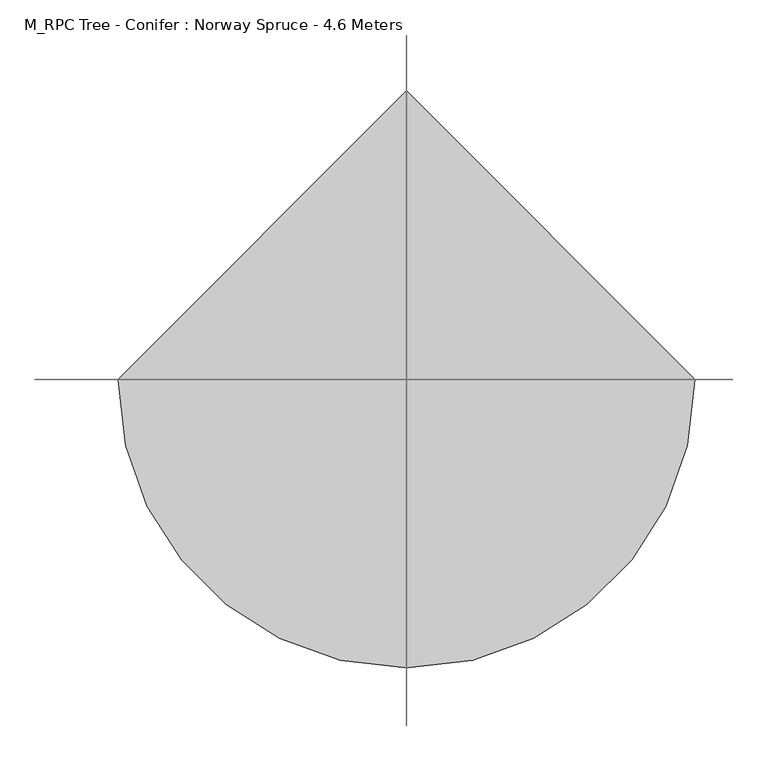
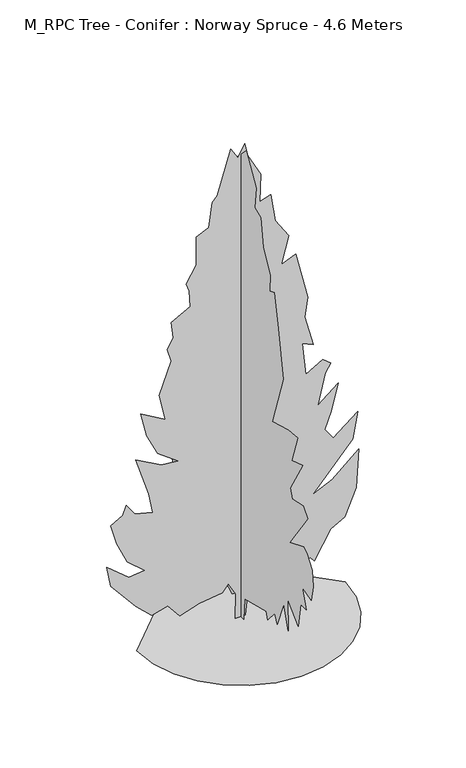
"""IFC4 building model written with IfcOpenShell, lengths in millimetres: geographic element geometry, M_RPC Tree - Conifer : Norway Spruce - 4.6 Meters."""

from ifc_helpers import new_model, si_unit, origin, place, context, project, spatial, triangles, source, transform, mapped, element, save


def m_rpc_tree_conifer_norway_spruce_4_6_meters_321e68f0(model_context):
    return source(origin(), model_context, "Body", "Tessellation", [
        triangles([(-960.6239954, 0.0, 2.44e-05), (-935.2217669, -220.1564384, 2.44e-05), (-862.881633, -422.3339959, 2.44e-05), (-749.3918306, -600.7425828, 2.44e-05), (-600.5459015, -749.5884756, 2.44e-05), (-422.1373146, -863.078278, 2.44e-05), (-219.9595209, -935.4184118, 2.44e-05), (0.1967131, -960.8206404, 2.44e-05), (220.3531015, -935.4184118, 2.44e-05), (422.5306772, -863.078278, 2.44e-05), (600.9392641, -749.5884756, 2.44e-05), (749.7851206, -600.7425828, 2.44e-05), (863.2749229, -422.3339959, 2.44e-05), (935.6150568, -220.156184, 2.44e-05), (961.0172853, 8.4e-05, 2.44e-05), (0.1965451, 960.8206404, 2.44e-05), (-52.1350127, 2.3e-06, 4.1e-06), (-45.8304556, -1.2e-05, 235.4235842), (-114.934518, -1.65e-05, 361.0926395), (-169.8825993, -9.9e-06, 290.4442266), (-381.3250892, 1.2e-06, 259.7749866), (-562.3735585, 1.24e-05, 204.0957726), (-672.2727734, 9.3e-06, 337.5431685), (-821.4202103, 1.81e-05, 298.2949101), (-970.5651037, 1.62e-05, 439.5916998), (-1198.2116735, 9.8e-06, 714.3345955), (-1237.4599319, -2e-07, 910.5809744), (-1033.3654129, 7e-07, 745.7347137), (-884.217976, -6.7e-06, 761.4335375), (-1049.0642366, -7.9e-06, 902.7302908), (-1143.262048, -1.6e-05, 1106.8273533), (-1198.2116735, -2.53e-05, 1303.0736595), (-1088.3124224, -3.38e-05, 1365.8714252), (-1056.9148476, -4.04e-05, 1452.2186256), (-978.4157873, -3.72e-05, 1342.3219906), (-813.5695993, -4.21e-05, 1303.0736595), (-847.6428102, -5.2e-05, 1493.7566425), (-970.5651037, -6.89e-05, 1868.2608181), (-735.0705391, -7.13e-05, 1734.8121323), (-577.6098015, -7.73e-05, 1720.2301735), (-766.4706573, -7.74e-05, 1860.4101345), (-868.5191523, -8.51e-05, 2064.5072697), (-923.4662344, -9.67e-05, 2300.001907), (-695.8222807, -9.87e-05, 2166.5532211), (-750.7692902, -0.0001113, 2417.7492256), (-640.8726551, -0.0001339, 2716.0467155), (-680.1209135, -0.0001396, 2841.6524208), (-625.1738314, -0.0001481, 2943.6956108), (-640.8726551, -0.0001563, 3092.8379608), (-468.1757109, -0.0001695, 3187.0359901), (-476.4914824, -0.0001784, 3342.7459625), (-504.7917171, -0.000182, 3423.1183823), (-413.2260853, -0.0001948, 3571.6729774), (-413.2260853, -0.0002112, 3846.420742), (-297.155245, -0.0002193, 3898.0431725), (-264.08121, -0.0002346, 4129.0145393), (-216.9812688, -0.0002399, 4183.95886), (-91.384293, -0.0002697, 4592.1580719), (-28.585553, -0.0002664, 4490.1148819), (34.2131869, -0.0002757, 4600.0038139), (65.6128147, -0.0002696, 4474.3981087), (183.3601197, -0.0002616, 4254.6202446), (175.5102173, -0.0002453, 3987.7176407), (277.5564413, -0.0002517, 4019.1256073), (316.8072613, -0.0002375, 3752.2230034), (442.4052635, -0.0002317, 3563.8272354), (371.7568869, -0.0002132, 3304.7703735), (505.2029929, -0.0002223, 3359.7405647), (615.1021351, -0.0002, 2904.4424835), (591.5527004, -0.0001877, 2716.0467155), (670.0492172, -0.0001734, 2417.7492256), (568.0032658, -0.0001717, 2464.8480949), (599.4008406, -0.0001544, 2150.8544701), (756.3988884, -0.0001669, 2245.0522087), (827.0473377, -0.0001662, 2182.2545883), (779.9483957, -0.0001595, 2103.7554554), (709.3000191, -0.0001391, 1813.3112652), (897.6957144, -0.0001562, 1962.4587021), (834.8954052, -0.0001385, 1711.2653137), (772.0977121, -0.0001264, 1554.2671932), (850.5967724, -0.0001233, 1444.3705582), (1078.2407261, -0.000144, 1624.9154972), (1031.1417841, -0.0001269, 1373.7221088), (662.2010771, -8.6e-05, 957.6799164), (842.7460888, -9.91e-05, 1044.0270441), (1086.1680765, -0.0001222, 1253.0972042), (1062.541975, -9.93e-05, 887.0314671), (960.4934074, -7.99e-05, 635.8355352), (827.0473377, -6.98e-05, 565.1871222), (677.8998281, -4.79e-05, 306.143014), (638.6515697, -4.9e-05, 353.2419559), (371.7568869, -2.42e-05, 133.4471325), (348.2074159, -2.92e-05, 235.495146), (136.2609506, -1.48e-05, 149.1469464), (65.6125603, -1.55e-05, 211.9454206), (42.0628395, -1.8e-06, 0.0), (0.1966732, 47.6010961, 2.86e-05), (0.1966799, 71.150558, 188.3959678), (0.1966813, 133.9493003, 141.2970349), (0.1966876, 243.8472161, 188.3959678), (0.1966944, 385.1429884, 204.0957726), (0.1967017, 549.9917925, 204.0957726), (0.1967083, 590.9011414, 364.4097336), (0.1967123, 715.0987204, 311.6860259), (0.1967187, 777.6357462, 431.7410162), (0.1967322, 958.1833014, 612.2860279), (0.1967497, 1130.8777021, 941.9810926), (0.1967534, 1146.5790693, 1044.0270441), (0.1967354, 816.8840046, 934.130409), (0.1967505, 1013.1303835, 1146.0756117), (0.1967652, 1126.6354465, 1469.5861702), (0.196754, 914.3504391, 1410.3509777), (0.1967588, 911.0818159, 1577.8166279), (0.1967517, 777.6357462, 1538.5682968), (0.1967598, 832.5853718, 1726.9640648), (0.1967705, 848.2841228, 2064.5072697), (0.196752, 518.5916379, 1938.9092674), (0.1967644, 644.1896038, 2166.5556919), (0.196773, 604.9388383, 2511.9469643), (0.1967827, 675.5871786, 2731.7376183), (0.1967849, 571.4328893, 2962.9392036), (0.1967915, 563.3317849, 3197.1048523), (0.1967873, 400.8443192, 3296.9249222), (0.1967932, 440.0925776, 3438.2215302), (0.1967954, 310.6535671, 3704.5619591), (0.1968004, 275.2463352, 3924.927578), (0.196798, 212.4475884, 3940.6187714), (0.196804, 94.7000245, 4317.4100166), (0.1968063, 63.3006511, 4443.0157219), (0.1968043, -85.8455232, 4600.0038139), (0.1967891, -242.8428806, 4325.2557587), (0.1967841, -219.2934278, 4121.1687973), (0.1967786, -321.3409235, 4089.7611214), (0.1967689, -360.5917253, 3822.8585175), (0.1967579, -470.4883967, 3618.7718468), (0.1967533, -462.6377131, 3453.9383034), (0.1967511, -533.2860898, 3485.3206902), (0.196739, -596.0863626, 3171.3447968), (0.1967221, -674.5828794, 2723.8921669), (0.1967144, -501.888515, 2205.804023), (0.1967053, -754.0863115, 2279.427), (0.1966987, -910.0775167, 2292.1512234), (0.1966947, -815.8796328, 2017.408255), (0.1966887, -988.576577, 2072.3553371), (0.1966874, -792.3301981, 1734.8147484), (0.1966834, -823.7303164, 1648.4649319), (0.1966766, -998.6352654, 1682.563868), (0.1966711, -1067.0756372, 1601.3660625), (0.1966718, -784.482058, 1201.0251646), (0.1966645, -1004.2779442, 1287.3724377), (0.1966609, -1059.2249537, 1248.1241066), (0.1966541, -1137.7240139, 1138.2249281), (0.196649, -1153.4228376, 989.0800346), (0.1966459, -1122.0252628, 839.9325977), (0.1966534, -980.7284369, 879.1808561), (0.1966453, -1043.5262026, 698.6357718), (0.1966491, -957.1790022, 698.6357718), (0.1966438, -917.9282003, 463.1411345), (0.1966562, -745.2312561, 620.1367115), (0.1966467, -760.9326233, 321.8443811), (0.1966565, -682.433563, 533.7895474), (0.1966533, -580.3850318, 274.7454391), (0.1966576, -541.1367734, 361.0926395), (0.1966586, -431.2375586, 227.6452436), (0.1966617, -407.6881239, 298.2949101), (0.1966746, -62.2965745, 211.945675), (0.196669, -46.5967606, 2.58e-05)], [[15, 16, 1], [14, 15, 1], [14, 1, 2], [13, 14, 2], [13, 2, 3], [13, 3, 4], [12, 13, 4], [11, 12, 4], [11, 4, 5], [11, 5, 6], [11, 6, 7], [11, 7, 8], [11, 8, 9], [11, 9, 10], [77, 78, 79], [81, 82, 83], [37, 38, 39], [59, 60, 61], [85, 86, 87], [42, 43, 44], [57, 58, 59], [70, 71, 72], [33, 34, 35], [91, 92, 93], [89, 90, 91], [81, 83, 84], [26, 27, 28], [25, 26, 28], [67, 68, 69], [63, 64, 65], [25, 28, 29], [96, 17, 18], [95, 96, 18], [41, 42, 44], [74, 75, 76], [73, 74, 76], [73, 76, 77], [85, 87, 88], [84, 85, 88], [84, 88, 89], [31, 32, 33], [31, 33, 35], [77, 79, 80], [37, 39, 40], [31, 35, 36], [30, 31, 36], [29, 30, 36], [21, 22, 23], [48, 49, 50], [40, 41, 44], [53, 54, 55], [84, 89, 91], [84, 91, 93], [93, 94, 95], [84, 93, 95], [84, 95, 18], [84, 18, 19], [24, 25, 29], [23, 24, 29], [36, 37, 40], [80, 81, 84], [59, 61, 62], [57, 59, 62], [57, 62, 63], [56, 57, 63], [55, 56, 63], [55, 63, 65], [53, 55, 65], [53, 65, 66], [53, 66, 67], [52, 53, 67], [51, 52, 67], [50, 51, 67], [50, 67, 69], [50, 69, 70], [48, 50, 70], [48, 70, 72], [47, 48, 72], [46, 47, 72], [45, 46, 72], [44, 45, 72], [44, 72, 73], [40, 44, 73], [40, 73, 77], [40, 77, 80], [40, 80, 84], [40, 84, 19], [36, 40, 19], [29, 36, 19], [23, 29, 19], [21, 23, 19], [20, 21, 19], [159, 160, 161], [143, 144, 145], [161, 162, 163], [110, 111, 112], [157, 158, 159], [163, 164, 165], [107, 108, 109], [106, 107, 109], [141, 142, 143], [115, 116, 117], [155, 156, 157], [129, 130, 131], [112, 113, 114], [136, 137, 138], [128, 129, 131], [128, 131, 132], [127, 128, 132], [153, 154, 155], [140, 141, 143], [166, 167, 97], [166, 97, 98], [103, 104, 105], [101, 102, 103], [147, 148, 149], [146, 147, 149], [114, 115, 117], [105, 106, 109], [125, 126, 127], [103, 105, 109], [132, 133, 134], [127, 132, 134], [125, 127, 134], [125, 134, 135], [125, 135, 136], [124, 125, 136], [123, 124, 136], [123, 136, 138], [123, 138, 139], [123, 139, 140], [122, 123, 140], [121, 122, 140], [120, 121, 140], [119, 120, 140], [118, 119, 140], [117, 118, 140], [140, 143, 145], [117, 140, 145], [114, 117, 145], [114, 145, 146], [114, 146, 149], [152, 153, 155], [151, 152, 155], [150, 151, 155], [149, 150, 155], [109, 110, 112], [155, 157, 159], [149, 155, 159], [114, 149, 159], [114, 159, 161], [114, 161, 163], [114, 163, 165], [114, 165, 166], [114, 166, 98], [112, 114, 98], [109, 112, 98], [103, 109, 98], [101, 103, 98], [100, 101, 98], [99, 100, 98]], closed=False),
    ])


if __name__ == "__main__":
    model = new_model("IFC4")
    model_context = context("Model", 3, world=origin())
    ifc_project = project(units=[si_unit("LENGTHUNIT", "METRE", prefix="MILLI")], contexts=[model_context])
    site = spatial("IfcSite", under=ifc_project)
    building = spatial("IfcBuilding", under=site)
    placement = place(None, origin())
    m_rpc_tree_conifer_norway_spruce_4_6_meters_shape = m_rpc_tree_conifer_norway_spruce_4_6_meters_321e68f0(model_context)
    element("IfcGeographicElement", 1, ObjectType="M_RPC Tree - Conifer : Norway Spruce - 4.6 Meters", at=placement, inside=building, context=model_context, shape_type="MappedRepresentation", body=[
        mapped(m_rpc_tree_conifer_norway_spruce_4_6_meters_shape, transform((0.0, 0.0, 0.0), x_axis=(1.0, 0.0, 0.0), y_axis=(0.0, 1.0, 0.0), z_axis=(0.0, 0.0, 1.0))),
    ])
    save(model, "model.ifc")
